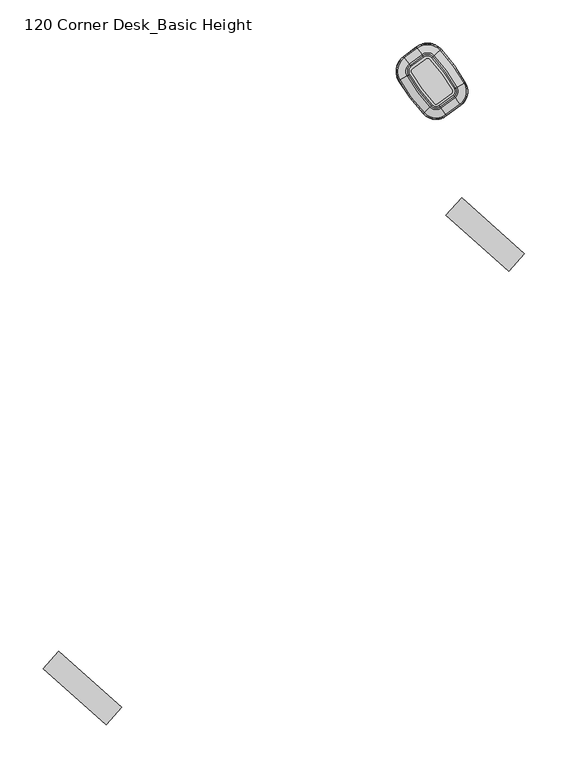
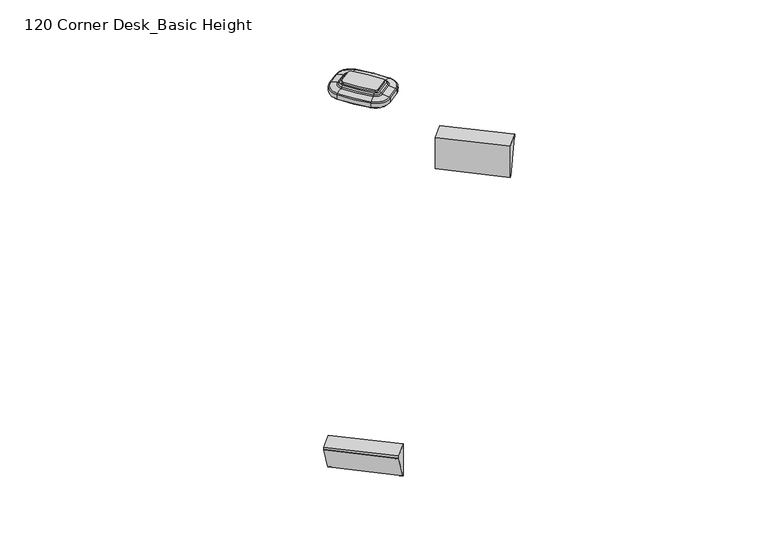
"""IFC4 building model written with IfcOpenShell, lengths in millimetres: furniture geometry, 120 Corner Desk_Basic Height."""

from ifc_helpers import new_model, si_unit, point, frame, frame_2d, origin, place, context, project, spatial, polyline, circle_curve, ellipse_curve, trimmed, segment, composite_curve, outline, extrude, source, transform, mapped, element, save
from ifc_brep_helpers import plane_surface, cylinder_surface, revolved_surface, advanced_brep


def furniture_120_corner_desk_basic_height_646786a0(model_context):
    return source(origin(), model_context, "Body", "SolidModel", [
        extrude(outline(composite_curve([segment(trimmed(circle_curve(frame_2d((1604.4837287, 349.0804777)), 199.9006328), [point((1457.9323056, 213.1284884))], [point((1431.8265492, 248.3344536))], False, "CARTESIAN"), True, "CONTINUOUS"), segment(trimmed(circle_curve(frame_2d((1435.1173034, 250.2546194)), 3.81), [point((1431.8265492, 248.3344536))], [point((1432.8627746, 253.3259708))], False, "CARTESIAN"), True, "CONTINUOUS"), segment(polyline([(1432.8627746, 253.3259708), (1447.7868019, 264.2809689)]), True, "CONTINUOUS"), segment(trimmed(circle_curve(frame_2d((1450.0413307, 261.2096174)), 3.81), [point((1447.7868019, 264.2809689))], [point((1452.8594397, 263.7736692))], False, "CARTESIAN"), True, "CONTINUOUS"), segment(trimmed(circle_curve(frame_2d((1305.0007056, 129.2446472)), 199.9006328), [point((1452.8594397, 263.7736692))], [point((1478.6236637, 228.3170018))], False, "CARTESIAN"), True, "CONTINUOUS"), segment(trimmed(circle_curve(frame_2d((1476.417556, 227.0581574)), 2.54), [point((1478.6236637, 228.3170018))], [point((1477.9205752, 225.0105898))], False, "CARTESIAN"), True, "CONTINUOUS"), segment(polyline([(1477.9205752, 225.0105898), (1461.297453, 212.8083693)]), True, "CONTINUOUS"), segment(trimmed(circle_curve(frame_2d((1459.7944338, 214.8559369)), 2.54), [point((1461.297453, 212.8083693))], [point((1457.9323056, 213.1284884))], False, "CARTESIAN"), True, "CONTINUOUS")], self_intersect=False)), frame((0.0, 0.0, 695.6719265), z_axis=(0.0, 0.0, 1.0), x_axis=(1.0, 0.0, 0.0)), (0.0, 0.0, 1.0), 2.9994778),
        advanced_brep(
        [(1461.297453, 212.8083693, 679.17195), (1457.9323056, 213.1284884, 679.17195), (1457.9323056, 213.1284884, 695.6719265), (1461.297453, 212.8083693, 695.6719265), (1469.7966702, 201.2298598, 680.9412486), (1447.4024119, 203.3601767, 680.9412486), (1455.5920461, 210.9574899, 679.17195), (1463.1863964, 210.2350559, 679.17195), (1471.1741853, 199.3532667, 682.4709063), (1445.6957738, 201.7769724, 682.4709063), (1471.6850128, 198.6573648, 689.5016248), (1445.0628968, 201.1898686, 689.5016248), (1470.8410339, 199.80712, 690.8023206), (1446.1085235, 202.1598697, 690.8023206), (1465.3030456, 207.3515383, 692.9047158), (1452.9696763, 208.5247848, 692.9047158), (1464.2118768, 208.8380409, 693.8442812), (1454.3215527, 209.7788858, 693.8442812), (1463.1863964, 210.2350559, 695.6719265), (1455.5920461, 210.9574899, 695.6719265), (1477.9205752, 225.0105898, 695.6719265), (1477.9205752, 225.0105898, 679.17195), (1479.8095187, 222.4372764, 679.17195), (1486.4197924, 213.4320803, 680.9412486), (1487.7973075, 211.5554872, 682.4709063), (1488.3081351, 210.8595853, 689.5016248), (1487.4641561, 212.0093405, 690.8023206), (1481.9261678, 219.5537588, 692.9047158), (1480.834999, 221.0402614, 693.8442812), (1479.8095187, 222.4372764, 695.6719265), (1478.6236637, 228.3170018, 679.17195), (1478.6236637, 228.3170018, 695.6719265), (1491.0986792, 235.435468, 680.9412486), (1481.3962247, 229.8990745, 679.17195), (1493.120574, 236.5891972, 682.4709063), (1493.8703585, 237.0170376, 689.5016248), (1492.6315796, 236.3101683, 690.8023206), (1484.5030086, 231.6718608, 692.9047158), (1482.9014085, 230.7579592, 693.8442812), (1481.3962247, 229.8990745, 695.6719265), (1452.8594397, 263.7736692, 679.17195), (1452.8594397, 263.7736692, 695.6719265), (1463.4832652, 273.439739, 680.9412486), (1455.2205754, 265.9219446, 679.17195), (1465.2051274, 275.0063724, 682.4709063), (1465.84365, 275.5873312, 689.5016248), (1464.7886957, 274.6274828, 690.8023206), (1457.8663381, 268.3291873, 692.9047158), (1456.5024022, 267.0882125, 693.8442812), (1455.2205754, 265.9219446, 695.6719265), (1447.7868019, 264.2809689, 679.17195), (1447.7868019, 264.2809689, 695.6719265), (1439.2875847, 275.8594784, 680.9412486), (1445.8978585, 266.8542823, 679.17195), (1437.9100696, 277.7360714, 682.4709063), (1437.3992421, 278.4319733, 689.5016248), (1438.243221, 277.2822182, 690.8023206), (1443.7812093, 269.7377998, 692.9047158), (1444.8723781, 268.2512973, 693.8442812), (1445.8978585, 266.8542823, 695.6719265), (1432.8627746, 253.3259708, 695.6719265), (1432.8627746, 253.3259708, 679.17195), (1430.9738312, 255.8992842, 679.17195), (1424.3635575, 264.9044803, 680.9412486), (1422.9860423, 266.7810734, 682.4709063), (1422.4752148, 267.4769753, 689.5016248), (1423.3191938, 266.3272202, 690.8023206), (1428.8571821, 258.7828018, 692.9047158), (1429.9483509, 257.2962992, 693.8442812), (1430.9738312, 255.8992842, 695.6719265), (1431.8265492, 248.3344536, 679.17195), (1431.8265492, 248.3344536, 695.6719265), (1419.420926, 241.0957322, 680.9412486), (1429.0694105, 246.7256542, 679.17195), (1417.410278, 239.9225126, 682.4709063), (1416.6646642, 239.4874445, 689.5016248), (1417.8965524, 240.2062553, 690.8023206), (1425.9799081, 244.9229196, 692.9047158), (1427.5725994, 245.8522601, 693.8442812), (1429.0694105, 246.7256542, 695.6719265)],
        [
            (0, 1, circle_curve(frame((1459.7944338, 214.8559369, 679.17195), z_axis=(0.0, 0.0, -1.0), x_axis=(-0.7331213567630526, -0.6800978431504551, 0.0)), 2.54)),
            (1, 2),
            (2, 3, circle_curve(frame((1459.7944338, 214.8559369, 695.6719265), z_axis=(0.0, 0.0, 1.0), x_axis=(-0.7331213567630526, -0.6800978431504551, 0.0)), 2.54)),
            (3, 0),
            (4, 5, circle_curve(frame((1459.7944338, 214.8559369, 680.9412486), z_axis=(0.0, 0.0, -1.0), x_axis=(-0.7331213567630526, -0.6800978431504551, 0.0)), 16.9030977)),
            (5, 6, circle_curve(frame((1455.5920461, 210.9574899, 715.3217807), z_axis=(0.6800978431504432, -0.7331213567630637, 0.0), x_axis=(0.7331213567630637, 0.6800978431504432, 0.0)), 36.1498307)),
            (6, 7, circle_curve(frame((1459.7944338, 214.8559369, 679.17195), z_axis=(0.0, 0.0, 1.0), x_axis=(-0.7331213567630526, -0.6800978431504551, 0.0)), 5.7321856)),
            (7, 4, circle_curve(frame((1463.1863964, 210.2350559, 715.3217807), z_axis=(-0.8061289955728228, -0.5917398435940846, 0.0), x_axis=(-0.5917398435940846, 0.8061289955728228, 0.0)), 36.1498307)),
            (8, 9, circle_curve(frame((1459.7944338, 214.8559369, 682.4709063), z_axis=(0.0, 0.0, -1.0), x_axis=(-0.7331213567630526, -0.6800978431504551, 0.0)), 19.2310044)),
            (9, 5, circle_curve(frame((1448.5974833, 204.4688137, 685.9582238), z_axis=(0.6800978431504432, -0.7331213567630637, 0.0), x_axis=(0.7331213567630637, 0.6800978431504432, 0.0)), 5.2751599)),
            (4, 8, circle_curve(frame((1468.8320667, 202.543942, 685.9582238), z_axis=(-0.8061289955728238, -0.5917398435940833, 0.0), x_axis=(-0.5917398435940833, 0.8061289955728238, 0.0)), 5.2751599)),
            (10, 11, circle_curve(frame((1459.7944338, 214.8559369, 689.5016248), z_axis=(0.0, 0.0, -1.0), x_axis=(-0.7331213567630526, -0.6800978431504551, 0.0)), 20.0942681)),
            (11, 9, circle_curve(frame((1454.6464601, 210.0802941, 687.5383413), z_axis=(0.6800978431504432, -0.7331213567630637, 0.0), x_axis=(0.7331213567630637, 0.6800978431504432, 0.0)), 13.2188817)),
            (8, 10, circle_curve(frame((1463.9496274, 209.1953041, 687.5383413), z_axis=(-0.8061289955728238, -0.5917398435940833, 0.0), x_axis=(-0.5917398435940833, 0.8061289955728238, 0.0)), 13.2188817)),
            (12, 13, circle_curve(frame((1459.7944338, 214.8559369, 690.8023206), z_axis=(0.0, 0.0, -1.0), x_axis=(-0.7331213567630526, -0.6800978431504551, 0.0)), 18.6680011)),
            (13, 11, circle_curve(frame((1447.0482569, 203.0316362, 687.9644178), z_axis=(0.6800978431504432, -0.7331213567630637, 0.0), x_axis=(0.7331213567630637, 0.6800978431504432, 0.0)), 3.1139634)),
            (10, 12, circle_curve(frame((1470.0825269, 200.8404364, 687.9644178), z_axis=(-0.8061289955728238, -0.5917398435940833, 0.0), x_axis=(-0.5917398435940833, 0.8061289955728238, 0.0)), 3.1139634)),
            (14, 15, circle_curve(frame((1459.7944338, 214.8559369, 692.9047158), z_axis=(0.0, 0.0, -1.0), x_axis=(-0.7331213567630526, -0.6800978431504551, 0.0)), 9.3091784)),
            (15, 13, circle_curve(frame((1453.2779194, 208.810734, 669.1514467), z_axis=(0.6800978431504432, -0.7331213567630637, 0.0), x_axis=(0.7331213567630637, 0.6800978431504432, 0.0)), 23.7569901)),
            (12, 14, circle_curve(frame((1465.0542468, 207.6904777, 669.1514467), z_axis=(-0.8061289955728238, -0.5917398435940833, 0.0), x_axis=(-0.5917398435940833, 0.8061289955728238, 0.0)), 23.7569901)),
            (16, 17, circle_curve(frame((1459.7944338, 214.8559369, 693.8442812), z_axis=(0.0, 0.0, -1.0), x_axis=(-0.7331213567630526, -0.6800978431504551, 0.0)), 7.4651775)),
            (17, 15),
            (14, 16),
            (18, 19, circle_curve(frame((1459.7944338, 214.8559369, 695.6719265), z_axis=(0.0, 0.0, -1.0), x_axis=(-0.7331213567630526, -0.6800978431504551, 0.0)), 5.7321856)),
            (19, 17),
            (16, 18),
            (3, 20),
            (20, 21),
            (21, 0),
            (7, 22),
            (22, 23, circle_curve(frame((1479.8095187, 222.4372764, 715.3217807), z_axis=(-0.8061289955728254, -0.5917398435940813, 0.0), x_axis=(-0.5917398435940813, 0.8061289955728254, 0.0)), 36.1498307)),
            (23, 4),
            (23, 24, circle_curve(frame((1485.455189, 214.7461625, 685.9582238), z_axis=(-0.8061289955728254, -0.5917398435940813, 0.0), x_axis=(-0.5917398435940813, 0.8061289955728254, 0.0)), 5.2751599)),
            (24, 8),
            (24, 25, circle_curve(frame((1480.5727496, 221.3975246, 687.5383413), z_axis=(-0.8061289955728254, -0.5917398435940813, 0.0), x_axis=(-0.5917398435940813, 0.8061289955728254, 0.0)), 13.2188817)),
            (25, 10),
            (25, 26, circle_curve(frame((1486.7056491, 213.0426569, 687.9644178), z_axis=(-0.8061289955728254, -0.5917398435940813, 0.0), x_axis=(-0.5917398435940813, 0.8061289955728254, 0.0)), 3.1139634)),
            (26, 12),
            (26, 27, circle_curve(frame((1481.677369, 219.8926982, 669.1514467), z_axis=(-0.8061289955728254, -0.5917398435940813, 0.0), x_axis=(-0.5917398435940813, 0.8061289955728254, 0.0)), 23.7569901)),
            (27, 14),
            (27, 28),
            (28, 16),
            (28, 29),
            (29, 18),
            (30, 21, circle_curve(frame((1476.417556, 227.0581574, 679.17195), z_axis=(0.0, 0.0, -1.0), x_axis=(0.5917398435940958, -0.8061289955728147, 0.0)), 2.54)),
            (20, 31, circle_curve(frame((1476.417556, 227.0581574, 695.6719265), z_axis=(0.0, 0.0, 1.0), x_axis=(0.5917398435940958, -0.8061289955728147, 0.0)), 2.54)),
            (31, 30),
            (32, 23, circle_curve(frame((1476.417556, 227.0581574, 680.9412486), z_axis=(0.0, 0.0, -1.0), x_axis=(0.5917398435940958, -0.8061289955728147, 0.0)), 16.9030977)),
            (22, 33, circle_curve(frame((1476.417556, 227.0581574, 679.17195), z_axis=(0.0, 0.0, 1.0), x_axis=(0.5917398435940958, -0.8061289955728147, 0.0)), 5.7321856)),
            (33, 32, circle_curve(frame((1481.3962247, 229.8990745, 715.3217807), z_axis=(0.49560800894300766, -0.86854631509871, 0.0), x_axis=(-0.86854631509871, -0.49560800894300766, 0.0)), 36.1498307)),
            (34, 24, circle_curve(frame((1476.417556, 227.0581574, 682.4709063), z_axis=(0.0, 0.0, -1.0), x_axis=(0.5917398435940958, -0.8061289955728147, 0.0)), 19.2310044)),
            (32, 34, circle_curve(frame((1489.6828497, 234.6275704, 685.9582238), z_axis=(0.4956080089430083, -0.8685463150987096, 0.0), x_axis=(-0.8685463150987096, -0.4956080089430083, 0.0)), 5.2751599)),
            (35, 25, circle_curve(frame((1476.417556, 227.0581574, 689.5016248), z_axis=(0.0, 0.0, -1.0), x_axis=(0.5917398435940958, -0.8061289955728147, 0.0)), 20.0942681)),
            (34, 35, circle_curve(frame((1482.5164829, 230.5383138, 687.5383413), z_axis=(0.4956080089430085, -0.8685463150987095, 0.0), x_axis=(-0.8685463150987095, -0.4956080089430085, 0.0)), 13.2188817)),
            (36, 26, circle_curve(frame((1476.417556, 227.0581574, 690.8023206), z_axis=(0.0, 0.0, -1.0), x_axis=(0.5917398435940958, -0.8061289955728147, 0.0)), 18.6680011)),
            (35, 36, circle_curve(frame((1491.5182551, 235.6748855, 687.9644178), z_axis=(0.4956080089430085, -0.8685463150987095, 0.0), x_axis=(-0.8685463150987095, -0.4956080089430085, 0.0)), 3.1139634)),
            (37, 27, circle_curve(frame((1476.417556, 227.0581574, 692.9047158), z_axis=(0.0, 0.0, -1.0), x_axis=(0.5917398435940958, -0.8061289955728147, 0.0)), 9.3091784)),
            (36, 37, circle_curve(frame((1484.1378257, 231.4634809, 669.1514467), z_axis=(0.4956080089430085, -0.8685463150987095, 0.0), x_axis=(-0.8685463150987095, -0.4956080089430085, 0.0)), 23.7569901)),
            (38, 28, circle_curve(frame((1476.417556, 227.0581574, 693.8442812), z_axis=(0.0, 0.0, -1.0), x_axis=(0.5917398435940958, -0.8061289955728147, 0.0)), 7.4651775)),
            (37, 38),
            (39, 29, circle_curve(frame((1476.417556, 227.0581574, 695.6719265), z_axis=(0.0, 0.0, -1.0), x_axis=(0.5917398435940958, -0.8061289955728147, 0.0)), 5.7321856)),
            (38, 39),
            (40, 30, circle_curve(frame((1305.0007056, 129.2446472, 679.17195), z_axis=(0.0, 0.0, -1.0), x_axis=(0.8685463150987014, 0.4956080089430229, 0.0)), 199.9006328)),
            (31, 41, circle_curve(frame((1305.0007056, 129.2446472, 695.6719265), z_axis=(0.0, 0.0, 1.0), x_axis=(0.8685463150987014, 0.4956080089430229, 0.0)), 199.9006328)),
            (41, 40),
            (42, 32, circle_curve(frame((1305.0007056, 129.2446472, 680.9412486), z_axis=(0.0, 0.0, -1.0), x_axis=(0.8685463150987014, 0.4956080089430229, 0.0)), 214.2637305)),
            (33, 43, circle_curve(frame((1305.0007056, 129.2446472, 679.17195), z_axis=(0.0, 0.0, 1.0), x_axis=(0.8685463150987014, 0.4956080089430229, 0.0)), 203.0928185)),
            (43, 42, circle_curve(frame((1455.2205754, 265.9219446, 715.3217807), z_axis=(0.6729794704009986, -0.7396611605450103, 0.0), x_axis=(-0.7396611605450103, -0.6729794704009986, 0.0)), 36.1498307)),
            (44, 34, circle_curve(frame((1305.0007056, 129.2446472, 682.4709063), z_axis=(0.0, 0.0, -1.0), x_axis=(0.8685463150987014, 0.4956080089430229, 0.0)), 216.5916372)),
            (42, 44, circle_curve(frame((1462.2775331, 272.3427057, 685.9582238), z_axis=(0.6729794704009864, -0.7396611605450216, 0.0), x_axis=(-0.7396611605450216, -0.6729794704009864, 0.0)), 5.2751599)),
            (45, 35, circle_curve(frame((1305.0007056, 129.2446472, 689.5016248), z_axis=(0.0, 0.0, -1.0), x_axis=(0.8685463150987014, 0.4956080089430229, 0.0)), 217.4549009)),
            (44, 45, circle_curve(frame((1456.1745965, 266.789959, 687.5383413), z_axis=(0.6729794704009839, -0.7396611605450238, 0.0), x_axis=(-0.7396611605450238, -0.6729794704009839, 0.0)), 13.2188817)),
            (46, 36, circle_curve(frame((1305.0007056, 129.2446472, 690.8023206), z_axis=(0.0, 0.0, -1.0), x_axis=(0.8685463150987014, 0.4956080089430229, 0.0)), 216.0286339)),
            (45, 46, circle_curve(frame((1463.8405795, 273.7648408, 687.9644178), z_axis=(0.672979470400983, -0.7396611605450246, 0.0), x_axis=(-0.7396611605450246, -0.672979470400983, 0.0)), 3.1139634)),
            (47, 37, circle_curve(frame((1305.0007056, 129.2446472, 692.9047158), z_axis=(0.0, 0.0, -1.0), x_axis=(0.8685463150987014, 0.4956080089430229, 0.0)), 206.6698112)),
            (46, 47, circle_curve(frame((1457.5553453, 268.046231, 669.1514467), z_axis=(0.6729794704009845, -0.7396611605450232, 0.0), x_axis=(-0.7396611605450232, -0.6729794704009845, 0.0)), 23.7569901)),
            (48, 38, circle_curve(frame((1305.0007056, 129.2446472, 693.8442812), z_axis=(0.0, 0.0, -1.0), x_axis=(0.8685463150987014, 0.4956080089430229, 0.0)), 204.8258103)),
            (47, 48),
            (49, 39, circle_curve(frame((1305.0007056, 129.2446472, 695.6719265), z_axis=(0.0, 0.0, -1.0), x_axis=(0.8685463150987014, 0.4956080089430229, 0.0)), 203.0928185)),
            (48, 49),
            (50, 40, circle_curve(frame((1450.0413307, 261.2096174, 679.17195), z_axis=(0.0, 0.0, -1.0), x_axis=(0.7396611605452146, 0.6729794704007742, 0.0)), 3.81)),
            (41, 51, circle_curve(frame((1450.0413307, 261.2096174, 695.6719265), z_axis=(0.0, 0.0, 1.0), x_axis=(0.7396611605452146, 0.6729794704007742, 0.0)), 3.81)),
            (51, 50),
            (52, 42, circle_curve(frame((1450.0413307, 261.2096174, 680.9412486), z_axis=(0.0, 0.0, -1.0), x_axis=(0.7396611605452146, 0.6729794704007742, 0.0)), 18.1730977)),
            (43, 53, circle_curve(frame((1450.0413307, 261.2096174, 679.17195), z_axis=(0.0, 0.0, 1.0), x_axis=(0.7396611605452146, 0.6729794704007742, 0.0)), 7.0021856)),
            (53, 52, circle_curve(frame((1445.8978585, 266.8542823, 715.3217807), z_axis=(0.8061289955728239, 0.5917398435940835, 0.0), x_axis=(0.5917398435940835, -0.8061289955728239, 0.0)), 36.1498307)),
            (54, 44, circle_curve(frame((1450.0413307, 261.2096174, 682.4709063), z_axis=(0.0, 0.0, -1.0), x_axis=(0.7396611605452146, 0.6729794704007742, 0.0)), 20.5010044)),
            (52, 54, circle_curve(frame((1440.2521882, 274.5453961, 685.9582238), z_axis=(0.8061289955728242, 0.591739843594083, 0.0), x_axis=(0.591739843594083, -0.8061289955728242, 0.0)), 5.2751599)),
            (55, 45, circle_curve(frame((1450.0413307, 261.2096174, 689.5016248), z_axis=(0.0, 0.0, -1.0), x_axis=(0.7396611605452146, 0.6729794704007742, 0.0)), 21.3642681)),
            (54, 55, circle_curve(frame((1445.1346275, 267.8940341, 687.5383413), z_axis=(0.8061289955728242, 0.591739843594083, 0.0), x_axis=(0.591739843594083, -0.8061289955728242, 0.0)), 13.2188817)),
            (56, 46, circle_curve(frame((1450.0413307, 261.2096174, 690.8023206), z_axis=(0.0, 0.0, -1.0), x_axis=(0.7396611605452146, 0.6729794704007742, 0.0)), 19.9380011)),
            (55, 56, circle_curve(frame((1439.001728, 276.2489018, 687.9644178), z_axis=(0.8061289955728242, 0.591739843594083, 0.0), x_axis=(0.591739843594083, -0.8061289955728242, 0.0)), 3.1139634)),
            (57, 47, circle_curve(frame((1450.0413307, 261.2096174, 692.9047158), z_axis=(0.0, 0.0, -1.0), x_axis=(0.7396611605452146, 0.6729794704007742, 0.0)), 10.5791784)),
            (56, 57, circle_curve(frame((1444.0300081, 269.3988605, 669.1514467), z_axis=(0.8061289955728242, 0.591739843594083, 0.0), x_axis=(0.591739843594083, -0.8061289955728242, 0.0)), 23.7569901)),
            (58, 48, circle_curve(frame((1450.0413307, 261.2096174, 693.8442812), z_axis=(0.0, 0.0, -1.0), x_axis=(0.7396611605452146, 0.6729794704007742, 0.0)), 8.7351775)),
            (57, 58),
            (59, 49, circle_curve(frame((1450.0413307, 261.2096174, 695.6719265), z_axis=(0.0, 0.0, -1.0), x_axis=(0.7396611605452146, 0.6729794704007742, 0.0)), 7.0021856)),
            (58, 59),
            (51, 60),
            (60, 61),
            (61, 50),
            (53, 62),
            (62, 63, circle_curve(frame((1430.9738312, 255.8992842, 715.3217807), z_axis=(0.8061289955728238, 0.5917398435940835, 0.0), x_axis=(0.5917398435940835, -0.8061289955728238, 0.0)), 36.1498307)),
            (63, 52),
            (63, 64, circle_curve(frame((1425.3281609, 263.5903981, 685.9582238), z_axis=(0.8061289955728238, 0.5917398435940835, 0.0), x_axis=(0.5917398435940835, -0.8061289955728238, 0.0)), 5.2751599)),
            (64, 54),
            (64, 65, circle_curve(frame((1430.2106003, 256.9390361, 687.5383413), z_axis=(0.8061289955728238, 0.5917398435940835, 0.0), x_axis=(0.5917398435940835, -0.8061289955728238, 0.0)), 13.2188817)),
            (65, 55),
            (65, 66, circle_curve(frame((1424.0777008, 265.2939038, 687.9644178), z_axis=(0.8061289955728238, 0.5917398435940835, 0.0), x_axis=(0.5917398435940835, -0.8061289955728238, 0.0)), 3.1139634)),
            (66, 56),
            (66, 67, circle_curve(frame((1429.1059808, 258.4438625, 669.1514467), z_axis=(0.8061289955728238, 0.5917398435940835, 0.0), x_axis=(0.5917398435940835, -0.8061289955728238, 0.0)), 23.7569901)),
            (67, 57),
            (67, 68),
            (68, 58),
            (68, 69),
            (69, 59),
            (70, 61, circle_curve(frame((1435.1173034, 250.2546194, 679.17195), z_axis=(0.0, 0.0, -1.0), x_axis=(-0.5917398435940958, 0.8061289955728147, 0.0)), 3.81)),
            (60, 71, circle_curve(frame((1435.1173034, 250.2546194, 695.6719265), z_axis=(0.0, 0.0, 1.0), x_axis=(-0.5917398435940958, 0.8061289955728147, 0.0)), 3.81)),
            (71, 70),
            (72, 63, circle_curve(frame((1435.1173034, 250.2546194, 680.9412486), z_axis=(0.0, 0.0, -1.0), x_axis=(-0.5917398435940958, 0.8061289955728147, 0.0)), 18.1730977)),
            (62, 73, circle_curve(frame((1435.1173034, 250.2546194, 679.17195), z_axis=(0.0, 0.0, 1.0), x_axis=(-0.5917398435940958, 0.8061289955728147, 0.0)), 7.0021856)),
            (73, 72, circle_curve(frame((1429.0694105, 246.7256542, 715.3217807), z_axis=(-0.5039805159176773, 0.8637150222008136, 0.0), x_axis=(0.8637150222008136, 0.5039805159176773, 0.0)), 36.1498307)),
            (74, 64, circle_curve(frame((1435.1173034, 250.2546194, 682.4709063), z_axis=(0.0, 0.0, -1.0), x_axis=(-0.5917398435940958, 0.8061289955728147, 0.0)), 20.5010044)),
            (72, 74, circle_curve(frame((1420.82888, 241.9172779, 685.9582238), z_axis=(-0.5039805159176775, 0.8637150222008134, 0.0), x_axis=(0.8637150222008134, 0.5039805159176775, 0.0)), 5.2751599)),
            (75, 65, circle_curve(frame((1435.1173034, 250.2546194, 689.5016248), z_axis=(0.0, 0.0, -1.0), x_axis=(-0.5917398435940958, 0.8061289955728147, 0.0)), 21.3642681)),
            (74, 75, circle_curve(frame((1427.9553838, 246.075616, 687.5383413), z_axis=(-0.5039805159176777, 0.8637150222008133, 0.0), x_axis=(0.8637150222008133, 0.5039805159176777, 0.0)), 13.2188817)),
            (76, 66, circle_curve(frame((1435.1173034, 250.2546194, 690.8023206), z_axis=(0.0, 0.0, -1.0), x_axis=(-0.5917398435940958, 0.8061289955728147, 0.0)), 19.9380011)),
            (75, 76, circle_curve(frame((1419.003684, 240.8522702, 687.9644178), z_axis=(-0.5039805159176777, 0.8637150222008133, 0.0), x_axis=(0.8637150222008133, 0.5039805159176777, 0.0)), 3.1139634)),
            (77, 67, circle_curve(frame((1435.1173034, 250.2546194, 692.9047158), z_axis=(0.0, 0.0, -1.0), x_axis=(-0.5917398435940958, 0.8061289955728147, 0.0)), 10.5791784)),
            (76, 77, circle_curve(frame((1426.3430597, 245.1348197, 669.1514467), z_axis=(-0.5039805159176777, 0.8637150222008133, 0.0), x_axis=(0.8637150222008133, 0.5039805159176777, 0.0)), 23.7569901)),
            (78, 68, circle_curve(frame((1435.1173034, 250.2546194, 693.8442812), z_axis=(0.0, 0.0, -1.0), x_axis=(-0.5917398435940958, 0.8061289955728147, 0.0)), 8.7351775)),
            (77, 78),
            (79, 69, circle_curve(frame((1435.1173034, 250.2546194, 695.6719265), z_axis=(0.0, 0.0, -1.0), x_axis=(-0.5917398435940958, 0.8061289955728147, 0.0)), 7.0021856)),
            (78, 79),
            (1, 70, circle_curve(frame((1604.4837287, 349.0804777, 679.17195), z_axis=(0.0, 0.0, -1.0), x_axis=(-0.8637150222008051, -0.5039805159176918, 0.0)), 199.9006328)),
            (71, 2, circle_curve(frame((1604.4837287, 349.0804777, 695.6719265), z_axis=(0.0, 0.0, 1.0), x_axis=(-0.8637150222008051, -0.5039805159176918, 0.0)), 199.9006328)),
            (6, 73, circle_curve(frame((1604.4837287, 349.0804777, 679.17195), z_axis=(0.0, 0.0, -1.0), x_axis=(-0.8637150222008051, -0.5039805159176918, 0.0)), 203.0928185)),
            (5, 72, circle_curve(frame((1604.4837287, 349.0804777, 680.9412486), z_axis=(0.0, 0.0, -1.0), x_axis=(-0.8637150222008051, -0.5039805159176918, 0.0)), 214.2637305)),
            (9, 74, circle_curve(frame((1604.4837287, 349.0804777, 682.4709063), z_axis=(0.0, 0.0, -1.0), x_axis=(-0.8637150222008051, -0.5039805159176918, 0.0)), 216.5916372)),
            (11, 75, circle_curve(frame((1604.4837287, 349.0804777, 689.5016248), z_axis=(0.0, 0.0, -1.0), x_axis=(-0.8637150222008051, -0.5039805159176918, 0.0)), 217.4549009)),
            (13, 76, circle_curve(frame((1604.4837287, 349.0804777, 690.8023206), z_axis=(0.0, 0.0, -1.0), x_axis=(-0.8637150222008051, -0.5039805159176918, 0.0)), 216.0286339)),
            (15, 77, circle_curve(frame((1604.4837287, 349.0804777, 692.9047158), z_axis=(0.0, 0.0, -1.0), x_axis=(-0.8637150222008051, -0.5039805159176918, 0.0)), 206.6698112)),
            (17, 78, circle_curve(frame((1604.4837287, 349.0804777, 693.8442812), z_axis=(0.0, 0.0, -1.0), x_axis=(-0.8637150222008051, -0.5039805159176918, 0.0)), 204.8258103)),
            (19, 79, circle_curve(frame((1604.4837287, 349.0804777, 695.6719265), z_axis=(0.0, 0.0, -1.0), x_axis=(-0.8637150222008051, -0.5039805159176918, 0.0)), 203.0928185)),
        ],
        [
            revolved_surface(polyline([(1457.9323055538218, 213.12848837839783, 695.6719265), (1457.9323055538218, 213.12848837839783, 679.17195)]), (1459.7944338, 214.8559369, 149.86), (0.0, 0.0, 1.0)),
            revolved_surface(trimmed(ellipse_curve(frame((1455.5920461, 210.9574899, 715.3217807), z_axis=(-0.6800978431504432, 0.7331213567630637, 0.0), x_axis=(0.7331213567630637, 0.6800978431504432, 0.0)), 36.1498307, 36.1498307), [point((1455.5920461, 210.9574899, 679.17195))], [point((1447.4024119, 203.3601767, 680.9412486))], True, "CARTESIAN"), (1459.7944338, 214.8559369, 149.86), (0.0, 0.0, 1.0)),
            revolved_surface(trimmed(ellipse_curve(frame((1448.5974833, 204.4688137, 685.9582238), z_axis=(-0.6800978431504432, 0.7331213567630637, 0.0), x_axis=(0.7331213567630637, 0.6800978431504432, 0.0)), 5.2751599, 5.2751599), [point((1447.4024119, 203.3601767, 680.9412486))], [point((1445.6957738, 201.7769724, 682.4709063))], True, "CARTESIAN"), (1459.7944338, 214.8559369, 149.86), (0.0, 0.0, 1.0)),
            revolved_surface(trimmed(ellipse_curve(frame((1454.6464601, 210.0802941, 687.5383413), z_axis=(-0.6800978431504432, 0.7331213567630637, 0.0), x_axis=(0.7331213567630637, 0.6800978431504432, 0.0)), 13.2188817, 13.2188817), [point((1445.6957738, 201.7769724, 682.4709063))], [point((1445.0628968, 201.1898686, 689.5016248))], True, "CARTESIAN"), (1459.7944338, 214.8559369, 149.86), (0.0, 0.0, 1.0)),
            revolved_surface(trimmed(ellipse_curve(frame((1447.0482569, 203.0316362, 687.9644178), z_axis=(-0.6800978431504432, 0.7331213567630637, 0.0), x_axis=(0.7331213567630637, 0.6800978431504432, 0.0)), 3.1139634, 3.1139634), [point((1445.0628968, 201.1898686, 689.5016248))], [point((1446.1085235, 202.1598697, 690.8023206))], True, "CARTESIAN"), (1459.7944338, 214.8559369, 149.86), (0.0, 0.0, 1.0)),
            revolved_surface(trimmed(ellipse_curve(frame((1453.2779194, 208.810734, 669.1514467), z_axis=(-0.6800978431504432, 0.7331213567630637, 0.0), x_axis=(0.7331213567630637, 0.6800978431504432, 0.0)), 23.7569901, 23.7569901), [point((1446.1085235, 202.1598697, 690.8023206))], [point((1452.9696763, 208.5247848, 692.9047158))], True, "CARTESIAN"), (1459.7944338, 214.8559369, 149.86), (0.0, 0.0, 1.0)),
            revolved_surface(polyline([(1452.9696763, 208.5247848, 692.9047158), (1454.3215527, 209.7788858, 693.8442812)]), (1459.7944338, 214.8559369, 149.86), (0.0, 0.0, 1.0)),
            revolved_surface(polyline([(1454.3215527, 209.7788858, 693.8442812), (1455.5920461, 210.9574899, 695.6719265)]), (1459.7944338, 214.8559369, 149.86), (0.0, 0.0, 1.0)),
            plane_surface(frame((1461.297453, 212.8083693, 695.6719265), z_axis=(-0.5917398435940958, 0.8061289955728147, 0.0), x_axis=(0.8061289955728147, 0.5917398435940958, 0.0))),
            cylinder_surface(frame((1463.1863964, 210.2350559, 715.3217807), z_axis=(-0.8061289955728254, -0.5917398435940813, 0.0), x_axis=(-0.5917398435940813, 0.8061289955728254, 0.0)), 36.1498307),
            cylinder_surface(frame((1468.8320667, 202.543942, 685.9582238), z_axis=(-0.8061289955728254, -0.5917398435940813, 0.0), x_axis=(-0.5917398435940813, 0.8061289955728254, 0.0)), 5.2751599),
            cylinder_surface(frame((1463.9496274, 209.1953041, 687.5383413), z_axis=(-0.8061289955728254, -0.5917398435940813, 0.0), x_axis=(-0.5917398435940813, 0.8061289955728254, 0.0)), 13.2188817),
            cylinder_surface(frame((1470.0825269, 200.8404364, 687.9644178), z_axis=(-0.8061289955728254, -0.5917398435940813, 0.0), x_axis=(-0.5917398435940813, 0.8061289955728254, 0.0)), 3.1139634),
            cylinder_surface(frame((1465.0542468, 207.6904777, 669.1514467), z_axis=(-0.8061289955728254, -0.5917398435940813, 0.0), x_axis=(-0.5917398435940813, 0.8061289955728254, 0.0)), 23.7569901),
            plane_surface(frame((1465.3030456, 207.3515383, 692.9047158), z_axis=(0.2686442673090759, -0.36597490555463147, 0.8910065241883748), x_axis=(0.8061289955728167, 0.5917398435940933, 0.0))),
            plane_surface(frame((1464.2118768, 208.8380409, 693.8442812), z_axis=(0.4293946252718652, -0.5849656089952533, 0.6880664881248375), x_axis=(0.8061289955728167, 0.5917398435940933, 0.0))),
            revolved_surface(polyline([(1477.9205752027292, 225.01058975124505, 695.6719265), (1477.9205752027292, 225.01058975124505, 679.17195)]), (1476.417556, 227.0581574, 149.86), (0.0, 0.0, 1.0)),
            revolved_surface(trimmed(ellipse_curve(frame((1479.8095187, 222.4372764, 715.3217807), z_axis=(-0.8061289955728242, -0.5917398435940827, 0.0), x_axis=(-0.5917398435940827, 0.8061289955728242, 0.0)), 36.1498307, 36.1498307), [point((1479.8095187, 222.4372764, 679.17195))], [point((1486.4197924, 213.4320803, 680.9412486))], True, "CARTESIAN"), (1476.417556, 227.0581574, 149.86), (0.0, 0.0, 1.0)),
            revolved_surface(trimmed(ellipse_curve(frame((1485.455189, 214.7461625, 685.9582238), z_axis=(-0.8061289955728242, -0.5917398435940827, 0.0), x_axis=(-0.5917398435940827, 0.8061289955728242, 0.0)), 5.2751599, 5.2751599), [point((1486.4197924, 213.4320803, 680.9412486))], [point((1487.7973075, 211.5554872, 682.4709063))], True, "CARTESIAN"), (1476.417556, 227.0581574, 149.86), (0.0, 0.0, 1.0)),
            revolved_surface(trimmed(ellipse_curve(frame((1480.5727496, 221.3975246, 687.5383413), z_axis=(-0.8061289955728242, -0.5917398435940827, 0.0), x_axis=(-0.5917398435940827, 0.8061289955728242, 0.0)), 13.2188817, 13.2188817), [point((1487.7973075, 211.5554872, 682.4709063))], [point((1488.3081351, 210.8595853, 689.5016248))], True, "CARTESIAN"), (1476.417556, 227.0581574, 149.86), (0.0, 0.0, 1.0)),
            revolved_surface(trimmed(ellipse_curve(frame((1486.7056491, 213.0426569, 687.9644178), z_axis=(-0.8061289955728242, -0.5917398435940827, 0.0), x_axis=(-0.5917398435940827, 0.8061289955728242, 0.0)), 3.1139634, 3.1139634), [point((1488.3081351, 210.8595853, 689.5016248))], [point((1487.4641561, 212.0093405, 690.8023206))], True, "CARTESIAN"), (1476.417556, 227.0581574, 149.86), (0.0, 0.0, 1.0)),
            revolved_surface(trimmed(ellipse_curve(frame((1481.677369, 219.8926982, 669.1514467), z_axis=(-0.8061289955728242, -0.5917398435940827, 0.0), x_axis=(-0.5917398435940827, 0.8061289955728242, 0.0)), 23.7569901, 23.7569901), [point((1487.4641561, 212.0093405, 690.8023206))], [point((1481.9261678, 219.5537588, 692.9047158))], True, "CARTESIAN"), (1476.417556, 227.0581574, 149.86), (0.0, 0.0, 1.0)),
            revolved_surface(polyline([(1481.9261678, 219.5537588, 692.9047158), (1480.834999, 221.0402614, 693.8442812)]), (1476.417556, 227.0581574, 149.86), (0.0, 0.0, 1.0)),
            revolved_surface(polyline([(1480.834999, 221.0402614, 693.8442812), (1479.8095187, 222.4372764, 695.6719265)]), (1476.417556, 227.0581574, 149.86), (0.0, 0.0, 1.0)),
            revolved_surface(polyline([(1478.6236636043386, 228.31700180845837, 695.6719265), (1478.6236636043386, 228.31700180845837, 679.17195)]), (1305.0007056, 129.2446472, 149.86), (0.0, 0.0, 1.0)),
            revolved_surface(trimmed(ellipse_curve(frame((1481.3962247, 229.8990745, 715.3217807), z_axis=(0.4956080089430088, -0.8685463150987095, 0.0), x_axis=(-0.8685463150987095, -0.4956080089430088, 0.0)), 36.1498307, 36.1498307), [point((1481.3962247, 229.8990745, 679.17195))], [point((1491.0986792, 235.435468, 680.9412486))], True, "CARTESIAN"), (1305.0007056, 129.2446472, 149.86), (0.0, 0.0, 1.0)),
            revolved_surface(trimmed(ellipse_curve(frame((1489.6828497, 234.6275704, 685.9582238), z_axis=(0.4956080089430088, -0.8685463150987095, 0.0), x_axis=(-0.8685463150987095, -0.4956080089430088, 0.0)), 5.2751599, 5.2751599), [point((1491.0986792, 235.435468, 680.9412486))], [point((1493.120574, 236.5891972, 682.4709063))], True, "CARTESIAN"), (1305.0007056, 129.2446472, 149.86), (0.0, 0.0, 1.0)),
            revolved_surface(trimmed(ellipse_curve(frame((1482.5164829, 230.5383138, 687.5383413), z_axis=(0.4956080089430088, -0.8685463150987095, 0.0), x_axis=(-0.8685463150987095, -0.4956080089430088, 0.0)), 13.2188817, 13.2188817), [point((1493.120574, 236.5891972, 682.4709063))], [point((1493.8703585, 237.0170376, 689.5016248))], True, "CARTESIAN"), (1305.0007056, 129.2446472, 149.86), (0.0, 0.0, 1.0)),
            revolved_surface(trimmed(ellipse_curve(frame((1491.5182551, 235.6748855, 687.9644178), z_axis=(0.4956080089430088, -0.8685463150987095, 0.0), x_axis=(-0.8685463150987095, -0.4956080089430088, 0.0)), 3.1139634, 3.1139634), [point((1493.8703585, 237.0170376, 689.5016248))], [point((1492.6315796, 236.3101683, 690.8023206))], True, "CARTESIAN"), (1305.0007056, 129.2446472, 149.86), (0.0, 0.0, 1.0)),
            revolved_surface(trimmed(ellipse_curve(frame((1484.1378257, 231.4634809, 669.1514467), z_axis=(0.4956080089430088, -0.8685463150987095, 0.0), x_axis=(-0.8685463150987095, -0.4956080089430088, 0.0)), 23.7569901, 23.7569901), [point((1492.6315796, 236.3101683, 690.8023206))], [point((1484.5030086, 231.6718608, 692.9047158))], True, "CARTESIAN"), (1305.0007056, 129.2446472, 149.86), (0.0, 0.0, 1.0)),
            revolved_surface(polyline([(1484.5030086, 231.6718608, 692.9047158), (1482.9014085, 230.7579592, 693.8442812)]), (1305.0007056, 129.2446472, 149.86), (0.0, 0.0, 1.0)),
            revolved_surface(polyline([(1482.9014085, 230.7579592, 693.8442812), (1481.3962247, 229.8990745, 695.6719265)]), (1305.0007056, 129.2446472, 149.86), (0.0, 0.0, 1.0)),
            revolved_surface(polyline([(1452.859439721677, 263.77366918222697, 695.6719265), (1452.859439721677, 263.77366918222697, 679.17195)]), (1450.0413307, 261.2096174, 149.86), (0.0, 0.0, 1.0)),
            revolved_surface(trimmed(ellipse_curve(frame((1455.2205754, 265.9219446, 715.3217807), z_axis=(0.6729794704007621, -0.7396611605452256, 0.0), x_axis=(-0.7396611605452256, -0.6729794704007621, 0.0)), 36.1498307, 36.1498307), [point((1455.2205754, 265.9219446, 679.17195))], [point((1463.4832652, 273.439739, 680.9412486))], True, "CARTESIAN"), (1450.0413307, 261.2096174, 149.86), (0.0, 0.0, 1.0)),
            revolved_surface(trimmed(ellipse_curve(frame((1462.2775331, 272.3427057, 685.9582238), z_axis=(0.6729794704007621, -0.7396611605452256, 0.0), x_axis=(-0.7396611605452256, -0.6729794704007621, 0.0)), 5.2751599, 5.2751599), [point((1463.4832652, 273.439739, 680.9412486))], [point((1465.2051274, 275.0063724, 682.4709063))], True, "CARTESIAN"), (1450.0413307, 261.2096174, 149.86), (0.0, 0.0, 1.0)),
            revolved_surface(trimmed(ellipse_curve(frame((1456.1745965, 266.789959, 687.5383413), z_axis=(0.6729794704007621, -0.7396611605452256, 0.0), x_axis=(-0.7396611605452256, -0.6729794704007621, 0.0)), 13.2188817, 13.2188817), [point((1465.2051274, 275.0063724, 682.4709063))], [point((1465.84365, 275.5873312, 689.5016248))], True, "CARTESIAN"), (1450.0413307, 261.2096174, 149.86), (0.0, 0.0, 1.0)),
            revolved_surface(trimmed(ellipse_curve(frame((1463.8405795, 273.7648408, 687.9644178), z_axis=(0.6729794704007621, -0.7396611605452256, 0.0), x_axis=(-0.7396611605452256, -0.6729794704007621, 0.0)), 3.1139634, 3.1139634), [point((1465.84365, 275.5873312, 689.5016248))], [point((1464.7886957, 274.6274828, 690.8023206))], True, "CARTESIAN"), (1450.0413307, 261.2096174, 149.86), (0.0, 0.0, 1.0)),
            revolved_surface(trimmed(ellipse_curve(frame((1457.5553453, 268.046231, 669.1514467), z_axis=(0.6729794704007621, -0.7396611605452256, 0.0), x_axis=(-0.7396611605452256, -0.6729794704007621, 0.0)), 23.7569901, 23.7569901), [point((1464.7886957, 274.6274828, 690.8023206))], [point((1457.8663381, 268.3291873, 692.9047158))], True, "CARTESIAN"), (1450.0413307, 261.2096174, 149.86), (0.0, 0.0, 1.0)),
            revolved_surface(polyline([(1457.8663381, 268.3291873, 692.9047158), (1456.5024022, 267.0882125, 693.8442812)]), (1450.0413307, 261.2096174, 149.86), (0.0, 0.0, 1.0)),
            revolved_surface(polyline([(1456.5024022, 267.0882125, 693.8442812), (1455.2205754, 265.9219446, 695.6719265)]), (1450.0413307, 261.2096174, 149.86), (0.0, 0.0, 1.0)),
            plane_surface(frame((1447.7868019, 264.2809689, 695.6719265), z_axis=(0.5917398435940988, -0.8061289955728126, 0.0), x_axis=(-0.8061289955728126, -0.5917398435940988, 0.0))),
            cylinder_surface(frame((1445.8978585, 266.8542823, 715.3217807), z_axis=(0.8061289955728238, 0.5917398435940835, 0.0), x_axis=(0.5917398435940835, -0.8061289955728238, 0.0)), 36.1498307),
            cylinder_surface(frame((1440.2521882, 274.5453961, 685.9582238), z_axis=(0.8061289955728238, 0.5917398435940835, 0.0), x_axis=(0.5917398435940835, -0.8061289955728238, 0.0)), 5.2751599),
            cylinder_surface(frame((1445.1346275, 267.8940341, 687.5383413), z_axis=(0.8061289955728238, 0.5917398435940835, 0.0), x_axis=(0.5917398435940835, -0.8061289955728238, 0.0)), 13.2188817),
            cylinder_surface(frame((1439.001728, 276.2489018, 687.9644178), z_axis=(0.8061289955728238, 0.5917398435940835, 0.0), x_axis=(0.5917398435940835, -0.8061289955728238, 0.0)), 3.1139634),
            cylinder_surface(frame((1444.0300081, 269.3988605, 669.1514467), z_axis=(0.8061289955728238, 0.5917398435940835, 0.0), x_axis=(0.5917398435940835, -0.8061289955728238, 0.0)), 23.7569901),
            plane_surface(frame((1443.7812093, 269.7377998, 692.9047158), z_axis=(-0.2686442673090771, 0.3659749055546305, 0.8910065241883746), x_axis=(-0.8061289955728147, -0.5917398435940958, 0.0))),
            plane_surface(frame((1444.8723781, 268.2512973, 693.8442812), z_axis=(-0.42939462527186706, 0.5849656089952519, 0.6880664881248375), x_axis=(-0.8061289955728147, -0.5917398435940958, 0.0))),
            revolved_surface(polyline([(1432.8627745959066, 253.3259708731324, 695.6719265), (1432.8627745959066, 253.3259708731324, 679.17195)]), (1435.1173034, 250.2546194, 149.86), (0.0, 0.0, 1.0)),
            revolved_surface(trimmed(ellipse_curve(frame((1430.9738312, 255.8992842, 715.3217807), z_axis=(0.8061289955728244, 0.5917398435940827, 0.0), x_axis=(0.5917398435940827, -0.8061289955728244, 0.0)), 36.1498307, 36.1498307), [point((1430.9738312, 255.8992842, 679.17195))], [point((1424.3635575, 264.9044803, 680.9412486))], True, "CARTESIAN"), (1435.1173034, 250.2546194, 149.86), (0.0, 0.0, 1.0)),
            revolved_surface(trimmed(ellipse_curve(frame((1425.3281609, 263.5903981, 685.9582238), z_axis=(0.8061289955728244, 0.5917398435940827, 0.0), x_axis=(0.5917398435940827, -0.8061289955728244, 0.0)), 5.2751599, 5.2751599), [point((1424.3635575, 264.9044803, 680.9412486))], [point((1422.9860423, 266.7810734, 682.4709063))], True, "CARTESIAN"), (1435.1173034, 250.2546194, 149.86), (0.0, 0.0, 1.0)),
            revolved_surface(trimmed(ellipse_curve(frame((1430.2106003, 256.9390361, 687.5383413), z_axis=(0.8061289955728244, 0.5917398435940827, 0.0), x_axis=(0.5917398435940827, -0.8061289955728244, 0.0)), 13.2188817, 13.2188817), [point((1422.9860423, 266.7810734, 682.4709063))], [point((1422.4752148, 267.4769753, 689.5016248))], True, "CARTESIAN"), (1435.1173034, 250.2546194, 149.86), (0.0, 0.0, 1.0)),
            revolved_surface(trimmed(ellipse_curve(frame((1424.0777008, 265.2939038, 687.9644178), z_axis=(0.8061289955728244, 0.5917398435940827, 0.0), x_axis=(0.5917398435940827, -0.8061289955728244, 0.0)), 3.1139634, 3.1139634), [point((1422.4752148, 267.4769753, 689.5016248))], [point((1423.3191938, 266.3272202, 690.8023206))], True, "CARTESIAN"), (1435.1173034, 250.2546194, 149.86), (0.0, 0.0, 1.0)),
            revolved_surface(trimmed(ellipse_curve(frame((1429.1059808, 258.4438625, 669.1514467), z_axis=(0.8061289955728244, 0.5917398435940827, 0.0), x_axis=(0.5917398435940827, -0.8061289955728244, 0.0)), 23.7569901, 23.7569901), [point((1423.3191938, 266.3272202, 690.8023206))], [point((1428.8571821, 258.7828018, 692.9047158))], True, "CARTESIAN"), (1435.1173034, 250.2546194, 149.86), (0.0, 0.0, 1.0)),
            revolved_surface(polyline([(1428.8571821, 258.7828018, 692.9047158), (1429.9483509, 257.2962992, 693.8442812)]), (1435.1173034, 250.2546194, 149.86), (0.0, 0.0, 1.0)),
            revolved_surface(polyline([(1429.9483509, 257.2962992, 693.8442812), (1430.9738312, 255.8992842, 695.6719265)]), (1435.1173034, 250.2546194, 149.86), (0.0, 0.0, 1.0)),
            revolved_surface(polyline([(1431.826549203193, 248.33445364918293, 695.6719265), (1431.826549203193, 248.33445364918293, 679.17195)]), (1604.4837287, 349.0804777, 149.86), (0.0, 0.0, 1.0)),
            plane_surface(frame((1604.4837287, 349.0804777, 679.17195), z_axis=(0.0, 0.0, -1.0), x_axis=(-0.8637150222008051, -0.5039805159176919, 0.0))),
            revolved_surface(trimmed(ellipse_curve(frame((1429.0694105, 246.7256542, 715.3217807), z_axis=(-0.5039805159176777, 0.8637150222008133, 0.0), x_axis=(0.8637150222008133, 0.5039805159176777, 0.0)), 36.1498307, 36.1498307), [point((1429.0694105, 246.7256542, 679.17195))], [point((1419.420926, 241.0957322, 680.9412486))], True, "CARTESIAN"), (1604.4837287, 349.0804777, 149.86), (0.0, 0.0, 1.0)),
            revolved_surface(trimmed(ellipse_curve(frame((1420.82888, 241.9172779, 685.9582238), z_axis=(-0.5039805159176777, 0.8637150222008133, 0.0), x_axis=(0.8637150222008133, 0.5039805159176777, 0.0)), 5.2751599, 5.2751599), [point((1419.420926, 241.0957322, 680.9412486))], [point((1417.410278, 239.9225126, 682.4709063))], True, "CARTESIAN"), (1604.4837287, 349.0804777, 149.86), (0.0, 0.0, 1.0)),
            revolved_surface(trimmed(ellipse_curve(frame((1427.9553838, 246.075616, 687.5383413), z_axis=(-0.5039805159176777, 0.8637150222008133, 0.0), x_axis=(0.8637150222008133, 0.5039805159176777, 0.0)), 13.2188817, 13.2188817), [point((1417.410278, 239.9225126, 682.4709063))], [point((1416.6646642, 239.4874445, 689.5016248))], True, "CARTESIAN"), (1604.4837287, 349.0804777, 149.86), (0.0, 0.0, 1.0)),
            revolved_surface(trimmed(ellipse_curve(frame((1419.003684, 240.8522702, 687.9644178), z_axis=(-0.5039805159176777, 0.8637150222008133, 0.0), x_axis=(0.8637150222008133, 0.5039805159176777, 0.0)), 3.1139634, 3.1139634), [point((1416.6646642, 239.4874445, 689.5016248))], [point((1417.8965524, 240.2062553, 690.8023206))], True, "CARTESIAN"), (1604.4837287, 349.0804777, 149.86), (0.0, 0.0, 1.0)),
            revolved_surface(trimmed(ellipse_curve(frame((1426.3430597, 245.1348197, 669.1514467), z_axis=(-0.5039805159176777, 0.8637150222008133, 0.0), x_axis=(0.8637150222008133, 0.5039805159176777, 0.0)), 23.7569901, 23.7569901), [point((1417.8965524, 240.2062553, 690.8023206))], [point((1425.9799081, 244.9229196, 692.9047158))], True, "CARTESIAN"), (1604.4837287, 349.0804777, 149.86), (0.0, 0.0, 1.0)),
            revolved_surface(polyline([(1425.9799081, 244.9229196, 692.9047158), (1427.5725994, 245.8522601, 693.8442812)]), (1604.4837287, 349.0804777, 149.86), (0.0, 0.0, 1.0)),
            revolved_surface(polyline([(1427.5725994, 245.8522601, 693.8442812), (1429.0694105, 246.7256542, 695.6719265)]), (1604.4837287, 349.0804777, 149.86), (0.0, 0.0, 1.0)),
            plane_surface(frame((1604.4837287, 349.0804777, 695.6719265), z_axis=(0.0, 0.0, 1.0), x_axis=(-0.8637150222008051, -0.5039805159176919, 0.0))),
        ],
        [
            (0, [[1, 2, 3, 4]]),
            (1, [[5, 6, 7, 8]]),
            (2, [[9, 10, -5, 11]]),
            (3, [[12, 13, -9, 14]]),
            (4, [[15, 16, -12, 17]]),
            (5, [[18, 19, -15, 20]]),
            (6, [[21, 22, -18, 23]]),
            (7, [[24, 25, -21, 26]]),
            (8, [[-4, 27, 28, 29]]),
            (9, [[-8, 30, 31, 32]]),
            (10, [[-11, -32, 33, 34]]),
            (11, [[-14, -34, 35, 36]]),
            (12, [[-17, -36, 37, 38]]),
            (13, [[-20, -38, 39, 40]]),
            (14, [[-23, -40, 41, 42]]),
            (15, [[-26, -42, 43, 44]]),
            (16, [[45, -28, 46, 47]]),
            (17, [[48, -31, 49, 50]]),
            (18, [[51, -33, -48, 52]]),
            (19, [[53, -35, -51, 54]]),
            (20, [[55, -37, -53, 56]]),
            (21, [[57, -39, -55, 58]]),
            (22, [[59, -41, -57, 60]]),
            (23, [[61, -43, -59, 62]]),
            (24, [[63, -47, 64, 65]]),
            (25, [[66, -50, 67, 68]]),
            (26, [[69, -52, -66, 70]]),
            (27, [[71, -54, -69, 72]]),
            (28, [[73, -56, -71, 74]]),
            (29, [[75, -58, -73, 76]]),
            (30, [[77, -60, -75, 78]]),
            (31, [[79, -62, -77, 80]]),
            (32, [[81, -65, 82, 83]]),
            (33, [[84, -68, 85, 86]]),
            (34, [[87, -70, -84, 88]]),
            (35, [[89, -72, -87, 90]]),
            (36, [[91, -74, -89, 92]]),
            (37, [[93, -76, -91, 94]]),
            (38, [[95, -78, -93, 96]]),
            (39, [[97, -80, -95, 98]]),
            (40, [[-83, 99, 100, 101]]),
            (41, [[-86, 102, 103, 104]]),
            (42, [[-88, -104, 105, 106]]),
            (43, [[-90, -106, 107, 108]]),
            (44, [[-92, -108, 109, 110]]),
            (45, [[-94, -110, 111, 112]]),
            (46, [[-96, -112, 113, 114]]),
            (47, [[-98, -114, 115, 116]]),
            (48, [[117, -100, 118, 119]]),
            (49, [[120, -103, 121, 122]]),
            (50, [[123, -105, -120, 124]]),
            (51, [[125, -107, -123, 126]]),
            (52, [[127, -109, -125, 128]]),
            (53, [[129, -111, -127, 130]]),
            (54, [[131, -113, -129, 132]]),
            (55, [[133, -115, -131, 134]]),
            (56, [[135, -119, 136, -2]]),
            (57, [[137, -121, -102, -85, -67, -49, -30, -7], [-101, -117, -135, -1, -29, -45, -63, -81]]),
            (58, [[138, -122, -137, -6]]),
            (59, [[139, -124, -138, -10]]),
            (60, [[140, -126, -139, -13]]),
            (61, [[141, -128, -140, -16]]),
            (62, [[142, -130, -141, -19]]),
            (63, [[143, -132, -142, -22]]),
            (64, [[144, -134, -143, -25]]),
            (65, [[-116, -133, -144, -24, -44, -61, -79, -97], [-136, -118, -99, -82, -64, -46, -27, -3]]),
        ],
    ),
        extrude(outline(composite_curve([segment(trimmed(circle_curve(frame_2d((1604.4837287, 349.0804777)), 199.9006328), [point((1457.9323056, 213.1284884))], [point((1431.8265492, 248.3344536))], False, "CARTESIAN"), True, "CONTINUOUS"), segment(trimmed(circle_curve(frame_2d((1435.1173034, 250.2546194)), 3.81), [point((1431.8265492, 248.3344536))], [point((1432.8627746, 253.3259708))], False, "CARTESIAN"), True, "CONTINUOUS"), segment(polyline([(1432.8627746, 253.3259708), (1447.7868019, 264.2809689)]), True, "CONTINUOUS"), segment(trimmed(circle_curve(frame_2d((1450.0413307, 261.2096174)), 3.81), [point((1447.7868019, 264.2809689))], [point((1452.8594397, 263.7736692))], False, "CARTESIAN"), True, "CONTINUOUS"), segment(trimmed(circle_curve(frame_2d((1305.0007056, 129.2446472)), 199.9006328), [point((1452.8594397, 263.7736692))], [point((1478.6236637, 228.3170018))], False, "CARTESIAN"), True, "CONTINUOUS"), segment(trimmed(circle_curve(frame_2d((1476.417556, 227.0581574)), 2.54), [point((1478.6236637, 228.3170018))], [point((1477.9205752, 225.0105898))], False, "CARTESIAN"), True, "CONTINUOUS"), segment(polyline([(1477.9205752, 225.0105898), (1461.297453, 212.8083693)]), True, "CONTINUOUS"), segment(trimmed(circle_curve(frame_2d((1459.7944338, 214.8559369)), 2.54), [point((1461.297453, 212.8083693))], [point((1457.9323056, 213.1284884))], False, "CARTESIAN"), True, "CONTINUOUS")], self_intersect=False)), frame((0.0, 0.0, 679.17195), z_axis=(0.0, 0.0, 1.0), x_axis=(1.0, 0.0, 0.0)), (0.0, 0.0, 1.0), 16.4999765),
        extrude(outline(composite_curve([segment(polyline([(0.7635446, 2.8429297), (43.8914929, -22.1243683)]), True, "CONTINUOUS"), segment(trimmed(circle_curve(frame_2d((42.9412736, -23.7657557)), 1.8965942), [point((43.8914929, -22.1243683))], [point((44.8013506, -24.1361379))], False, "CARTESIAN"), True, "CONTINUOUS"), segment(polyline([(44.8013506, -24.1361379), (-3.7010668, -24.1361379), (-3.7010668, 3.048), (0.0, 3.048)]), True, "CONTINUOUS"), segment(trimmed(circle_curve(frame_2d((0.0, 1.5239999)), 1.524), [point((0.0, 3.048))], [point((0.7635446, 2.8429297))], False, "CARTESIAN"), True, "CONTINUOUS")], self_intersect=False)), frame((1079.8274388, -503.3587885, 694.9703375), z_axis=(-0.7472578877897539, 0.6645341594952029, 0.0), x_axis=(0.0, 0.0, -1.0)), (0.0, 0.0, 1.0), 97.4054697),
        extrude(outline(composite_curve([segment(trimmed(circle_curve(frame_2d((-49.833582, 1.524)), 1.524), [point((-49.833582, 0.0))], [point((-50.5971266, 0.2050703))], False, "CARTESIAN"), True, "CONTINUOUS"), segment(polyline([(-50.5971266, 0.2050703), (-53.8001758, 2.0593548), (-40.1805554, 25.5855803), (1.7953505, 1.2852138)]), True, "CONTINUOUS"), segment(trimmed(circle_curve(frame_2d((0.0, 1.8965941)), 1.8965942), [point((1.7953505, 1.2852138))], [point((0.0, 0.0))], False, "CARTESIAN"), True, "CONTINUOUS"), segment(polyline([(0.0, 0.0), (-49.833582, 0.0)]), True, "CONTINUOUS")], self_intersect=False)), frame((1545.4922518, 20.2737448, 651.0788446), z_axis=(-0.7472578877897492, 0.6645341594952081, 0.0), x_axis=(-0.33294059416125643, -0.3743862999328609, -0.8654394601485026)), (0.0, 0.0, 1.0), 97.4054697),
    ])


if __name__ == "__main__":
    model = new_model("IFC4")
    model_context = context("Model", 3, world=origin())
    ifc_project = project(units=[si_unit("LENGTHUNIT", "METRE", prefix="MILLI")], contexts=[model_context])
    site = spatial("IfcSite", under=ifc_project)
    building = spatial("IfcBuilding", under=site)
    placement = place(None, origin())
    furniture_120_corner_desk_basic_height_shape = furniture_120_corner_desk_basic_height_646786a0(model_context)
    element("IfcFurniture", 1, ObjectType="120 Corner Desk_Basic Height", at=placement, inside=building, context=model_context, shape_type="MappedRepresentation", body=[
        mapped(furniture_120_corner_desk_basic_height_shape, transform((0.0, 0.0, 0.0), x_axis=(1.0, 0.0, 0.0), y_axis=(0.0, 1.0, 0.0), z_axis=(0.0, 0.0, 1.0))),
    ])
    save(model, "model.ifc")
